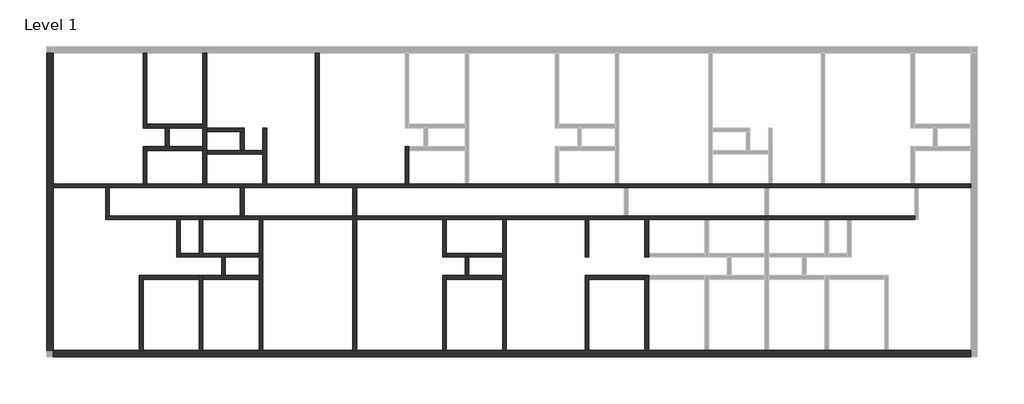
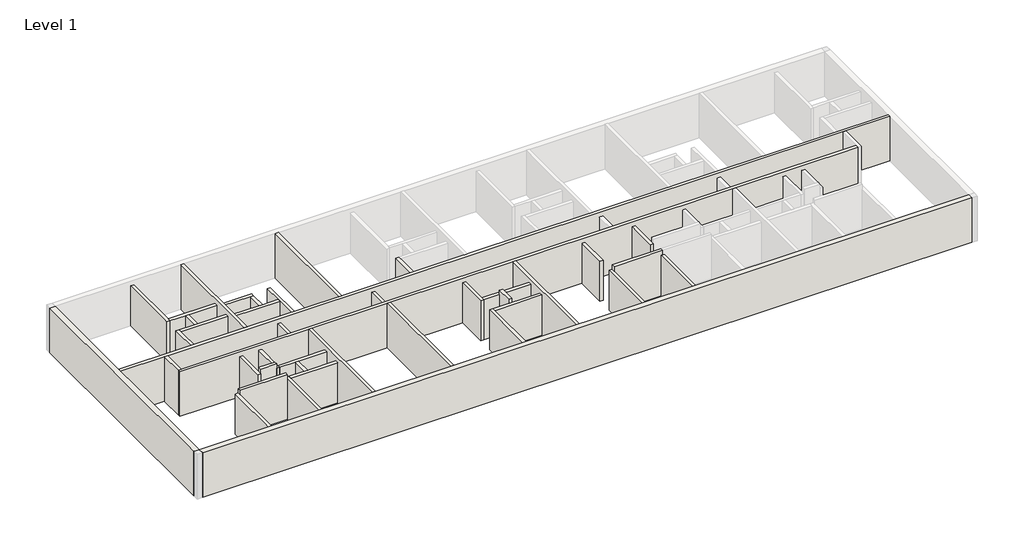
# One storey, part 1 of 2: 41 walls.
"""IFC4 building model written with IfcOpenShell, lengths in millimetres."""

from ifc_helpers import new_model, si_unit, origin, origin_with_axes, place, context, project, spatial, polyline, outline, extrude, faceted_brep, element, save

model = new_model("IFC4")

# Units and contexts
model_context = context("Model", 3, world=origin())
ifc_project = project(units=[si_unit("LENGTHUNIT", "METRE", prefix="MILLI")], contexts=[model_context])

# Site, building, storey
site = spatial("IfcSite", under=ifc_project)
building = spatial("IfcBuilding", under=site)
storey = spatial("IfcBuildingStorey", under=building, Name="Level 1", Elevation=0.0)

# Walls
placement = place(None, origin())
element("IfcWall", 1, ObjectType="Exterior_350", at=placement, inside=storey, context=model_context, shape_type="SweptSolid", body=[
    extrude(outline(polyline([(-17287.4016911, 17523.9820231), (-17287.4016911, 1623.982023), (-17637.4016911, 1623.982023), (-17637.4016911, 17523.9820231), (-17287.4016911, 17523.9820231)])), origin_with_axes(), (0.0, 0.0, 1.0), 3000.0),
])
element("IfcWall", 2, ObjectType="Exterior_350", at=placement, inside=storey, context=model_context, shape_type="SweptSolid", body=[
    extrude(outline(polyline([(-17287.4016911, 1623.982023), (31712.5983088, 1623.982023), (31712.5983088, 1273.982023), (-17287.4016911, 1273.982023), (-17287.4016911, 1623.982023)])), origin_with_axes(), (0.0, 0.0, 1.0), 3000.0),
])
element("IfcWall", 3, ObjectType="Interior_200", at=placement, inside=storey, context=model_context, shape_type="Brep", body=[
    faceted_brep([(-12487.4016911, 1623.982023, 0.0), (-12487.4016911, 5423.9820231, 0.0), (-12487.4016911, 5623.9820231, 0.0), (-12487.4016911, 5623.9820231, 2700.0), (-12487.4016911, 1623.982023, 2700.0), (-12687.4016911, 1623.982023, 0.0), (-12687.4016911, 1623.982023, 2700.0), (-12687.4016911, 5623.9820231, 2700.0), (-12687.4016911, 5623.9820231, 0.0)], [[[0, 1, 2, 3, 4]], [[5, 6, 7, 8]], [[2, 1, 0, 5, 8]], [[4, 3, 7, 6]], [[0, 4, 6, 5]], [[3, 2, 8, 7]]]),
])
element("IfcWall", 4, ObjectType="Interior_200", at=placement, inside=storey, context=model_context, shape_type="Brep", body=[
    faceted_brep([(-9287.4016911, 5423.9820231, 0.0), (-6287.401691, 5423.9820231, 0.0), (-6287.401691, 5423.9820231, 2700.0), (-9287.4016911, 5423.9820231, 2700.0), (-9287.4016911, 5623.9820231, 0.0), (-9287.4016911, 5623.9820231, 2700.0), (-8287.4016911, 5623.9820231, 2700.0), (-8087.4016911, 5623.9820231, 2700.0), (-6287.401691, 5623.9820231, 2700.0), (-6287.401691, 5623.9820231, 0.0), (-8087.4016911, 5623.9820231, 0.0), (-8287.4016911, 5623.9820231, 0.0)], [[[0, 1, 2, 3]], [[4, 5, 6, 7, 8, 9, 10, 11]], [[1, 0, 4, 11, 10, 9]], [[3, 2, 8, 7, 6, 5]], [[2, 1, 9, 8]], [[0, 3, 5, 4]]]),
])
element("IfcWall", 5, ObjectType="Interior_200", at=placement, inside=storey, context=model_context, shape_type="Brep", body=[
    faceted_brep([(-9287.4016911, 1623.982023, 0.0), (-9287.4016911, 5423.9820231, 0.0), (-9287.4016911, 5623.9820231, 0.0), (-9287.4016911, 5623.9820231, 2700.0), (-9287.4016911, 5423.9820231, 2700.0), (-9287.4016911, 1623.982023, 2700.0), (-9487.4016911, 1623.982023, 0.0), (-9487.4016911, 1623.982023, 2700.0), (-9487.4016911, 5623.9820231, 2700.0), (-9487.4016911, 5623.9820231, 0.0), (-9487.4016911, 5423.9820231, 0.0)], [[[0, 1, 2, 3, 4, 5]], [[6, 7, 8, 9, 10]], [[2, 1, 0, 6, 10, 9]], [[3, 2, 9, 8]], [[5, 4, 3, 8, 7]], [[0, 5, 7, 6]]]),
])
element("IfcWall", 6, ObjectType="Interior_200", at=placement, inside=storey, context=model_context, shape_type="Brep", body=[
    faceted_brep([(-9287.4016911, 6623.9820231, 0.0), (-8287.4016911, 6623.9820231, 0.0), (-8087.4016911, 6623.9820231, 0.0), (-6287.401691, 6623.9820231, 0.0), (-6287.401691, 6623.9820231, 2700.0), (-8087.4016911, 6623.9820231, 2700.0), (-8287.4016911, 6623.9820231, 2700.0), (-9287.4016911, 6623.9820231, 2700.0), (-9287.4016911, 6823.9820231, 0.0), (-9287.4016911, 6823.9820231, 2700.0), (-6287.401691, 6823.9820231, 2700.0), (-6287.401691, 6823.9820231, 0.0)], [[[0, 1, 2, 3, 4, 5, 6, 7]], [[8, 9, 10, 11]], [[3, 2, 1, 0, 8, 11]], [[7, 6, 5, 4, 10, 9]], [[4, 3, 11, 10]], [[0, 7, 9, 8]]]),
])
element("IfcWall", 7, ObjectType="Interior_200", at=placement, inside=storey, context=model_context, shape_type="Brep", body=[
    faceted_brep([(-10487.4016911, 6623.9820231, 0.0), (-10487.4016911, 6823.9820231, 0.0), (-10487.4016911, 8623.9820231, 0.0), (-10487.4016911, 8623.9820231, 2700.0), (-10487.4016911, 6623.9820231, 2700.0), (-10687.4016911, 6623.9820231, 0.0), (-10687.4016911, 6623.9820231, 2700.0), (-10687.4016911, 8623.9820231, 2700.0), (-10687.4016911, 8623.9820231, 0.0)], [[[0, 1, 2, 3, 4]], [[5, 6, 7, 8]], [[2, 1, 0, 5, 8]], [[4, 3, 7, 6]], [[3, 2, 8, 7]], [[0, 4, 6, 5]]]),
])
element("IfcWall", 8, ObjectType="Interior_200", at=placement, inside=storey, context=model_context, shape_type="Brep", body=[
    faceted_brep([(-9287.4016911, 6623.9820231, 0.0), (-9287.4016911, 6823.9820231, 0.0), (-9287.4016911, 8623.9820231, 0.0), (-9287.4016911, 8623.9820231, 2700.0), (-9287.4016911, 6823.9820231, 2700.0), (-9287.4016911, 6623.9820231, 2700.0), (-9487.4016911, 6623.9820231, 0.0), (-9487.4016911, 6623.9820231, 2700.0), (-9487.4016911, 8623.9820231, 2700.0), (-9487.4016911, 8623.9820231, 0.0), (-9487.4016911, 6823.9820231, 0.0)], [[[0, 1, 2, 3, 4, 5]], [[6, 7, 8, 9, 10]], [[2, 1, 0, 6, 10, 9]], [[5, 4, 3, 8, 7]], [[3, 2, 9, 8]], [[0, 5, 7, 6]]]),
])
element("IfcWall", 9, ObjectType="Interior_200", at=placement, inside=storey, context=model_context, shape_type="Brep", body=[
    faceted_brep([(-12487.4016912, 17523.9820231, 0.0), (-12487.4016912, 13523.982023, 0.0), (-12487.4016912, 13523.982023, 2700.0), (-12487.4016912, 17523.9820231, 2700.0), (-12287.4016912, 17523.9820231, 0.0), (-12287.4016912, 17523.9820231, 2700.0), (-12287.4016912, 13723.982023, 2700.0), (-12287.4016912, 13523.982023, 2700.0), (-12287.4016912, 13523.982023, 0.0), (-12287.4016912, 13723.982023, 0.0)], [[[0, 1, 2, 3]], [[4, 5, 6, 7, 8, 9]], [[1, 0, 4, 9, 8]], [[3, 2, 7, 6, 5]], [[0, 3, 5, 4]], [[2, 1, 8, 7]]]),
])
element("IfcWall", 10, ObjectType="Interior_200", at=placement, inside=storey, context=model_context, shape_type="Brep", body=[
    faceted_brep([(-12287.4016912, 13523.982023, 0.0), (-11287.4016911, 13523.982023, 0.0), (-11087.4016911, 13523.982023, 0.0), (-9287.4016913, 13523.982023, 0.0), (-9287.4016913, 13523.982023, 2700.0), (-11087.4016911, 13523.982023, 2700.0), (-11287.4016911, 13523.982023, 2700.0), (-12287.4016912, 13523.982023, 2700.0), (-12287.4016912, 13723.982023, 0.0), (-12287.4016912, 13723.982023, 2700.0), (-9287.4016913, 13723.982023, 2700.0), (-9287.4016913, 13723.982023, 0.0)], [[[0, 1, 2, 3, 4, 5, 6, 7]], [[8, 9, 10, 11]], [[3, 2, 1, 0, 8, 11]], [[7, 6, 5, 4, 10, 9]], [[0, 7, 9, 8]], [[4, 3, 11, 10]]]),
])
element("IfcWall", 11, ObjectType="Interior_200", at=placement, inside=storey, context=model_context, shape_type="Brep", body=[
    faceted_brep([(-12287.4016911, 12323.9820231, 0.0), (-9287.4016913, 12323.9820231, 0.0), (-9287.4016913, 12323.9820231, 2700.0), (-12287.4016911, 12323.9820231, 2700.0), (-12287.4016911, 12523.9820231, 0.0), (-12287.4016911, 12523.9820231, 2700.0), (-11287.4016911, 12523.9820231, 2700.0), (-11087.4016911, 12523.9820231, 2700.0), (-9287.4016913, 12523.9820231, 2700.0), (-9287.4016913, 12523.9820231, 0.0), (-11087.4016911, 12523.9820231, 0.0), (-11287.4016911, 12523.9820231, 0.0)], [[[0, 1, 2, 3]], [[4, 5, 6, 7, 8, 9, 10, 11]], [[1, 0, 4, 11, 10, 9]], [[3, 2, 8, 7, 6, 5]], [[2, 1, 9, 8]], [[0, 3, 5, 4]]]),
])
element("IfcWall", 12, ObjectType="Interior_200", at=placement, inside=storey, context=model_context, shape_type="Brep", body=[
    faceted_brep([(-12487.4016911, 12523.9820231, 0.0), (-12487.4016911, 10523.9820231, 0.0), (-12487.4016911, 10523.9820231, 2700.0), (-12487.4016911, 12523.9820231, 2700.0), (-12287.4016911, 12523.9820231, 0.0), (-12287.4016911, 12523.9820231, 2700.0), (-12287.4016911, 12323.9820231, 2700.0), (-12287.4016911, 10523.9820231, 2700.0), (-12287.4016911, 10523.9820231, 0.0), (-12287.4016911, 12323.9820231, 0.0)], [[[0, 1, 2, 3]], [[4, 5, 6, 7, 8, 9]], [[1, 0, 4, 9, 8]], [[3, 2, 7, 6, 5]], [[2, 1, 8, 7]], [[0, 3, 5, 4]]]),
])
element("IfcWall", 13, ObjectType="Interior_200", at=placement, inside=storey, context=model_context, shape_type="Brep", body=[
    faceted_brep([(-5887.4016913, 10523.9820231, 0.0), (-5887.4016913, 13523.9820231, 0.0), (-5887.4016913, 13523.9820231, 2700.0), (-5887.4016913, 10523.9820231, 2700.0), (-6087.4016913, 10523.9820231, 0.0), (-6087.4016913, 10523.9820231, 2700.0), (-6087.4016913, 12123.9820231, 2700.0), (-6087.4016913, 12323.9820231, 2700.0), (-6087.4016913, 13523.9820231, 2700.0), (-6087.4016913, 13523.9820231, 0.0), (-6087.4016913, 12323.9820231, 0.0), (-6087.4016913, 12123.9820231, 0.0)], [[[0, 1, 2, 3]], [[4, 5, 6, 7, 8, 9, 10, 11]], [[1, 0, 4, 11, 10, 9]], [[2, 1, 9, 8]], [[3, 2, 8, 7, 6, 5]], [[0, 3, 5, 4]]]),
])
element("IfcWall", 14, ObjectType="Interior_200", at=placement, inside=storey, context=model_context, shape_type="Brep", body=[
    faceted_brep([(-9087.4016913, 13323.9820231, 0.0), (-7287.4016913, 13323.9820231, 0.0), (-7087.4016913, 13323.9820231, 0.0), (-7087.4016913, 13323.9820231, 2700.0), (-7287.4016913, 13323.9820231, 2700.0), (-9087.4016913, 13323.9820231, 2700.0), (-9087.4016913, 13523.9820231, 0.0), (-9087.4016913, 13523.9820231, 2700.0), (-7087.4016913, 13523.9820231, 2700.0), (-7087.4016913, 13523.9820231, 0.0)], [[[0, 1, 2, 3, 4, 5]], [[6, 7, 8, 9]], [[2, 1, 0, 6, 9]], [[5, 4, 3, 8, 7]], [[3, 2, 9, 8]], [[0, 5, 7, 6]]]),
])
element("IfcWall", 15, ObjectType="Interior_200", at=placement, inside=storey, context=model_context, shape_type="Brep", body=[
    faceted_brep([(-9087.4016913, 12123.9820231, 0.0), (-6087.4016913, 12123.9820231, 0.0), (-6087.4016913, 12123.9820231, 2700.0), (-9087.4016913, 12123.9820231, 2700.0), (-9087.4016913, 12323.9820231, 0.0), (-9087.4016913, 12323.9820231, 2700.0), (-7287.4016913, 12323.9820231, 2700.0), (-7087.4016913, 12323.9820231, 2700.0), (-6087.4016913, 12323.9820231, 2700.0), (-6087.4016913, 12323.9820231, 0.0), (-7087.4016913, 12323.9820231, 0.0), (-7287.4016913, 12323.9820231, 0.0)], [[[0, 1, 2, 3]], [[4, 5, 6, 7, 8, 9, 10, 11]], [[1, 0, 4, 11, 10, 9]], [[3, 2, 8, 7, 6, 5]], [[0, 3, 5, 4]], [[2, 1, 9, 8]]]),
])
element("IfcWall", 16, ObjectType="Interior_200", at=placement, inside=storey, context=model_context, shape_type="SweptSolid", body=[
    extrude(outline(polyline([(-7287.4016913, 12323.9820231), (-7287.4016913, 13323.9820231), (-7087.4016913, 13323.9820231), (-7087.4016913, 12323.9820231), (-7287.4016913, 12323.9820231)])), origin_with_axes(), (0.0, 0.0, 1.0), 2700.0),
])
element("IfcWall", 17, ObjectType="Interior_200", at=placement, inside=storey, context=model_context, shape_type="Brep", body=[
    faceted_brep([(1512.5983089, 12523.9820231, 0.0), (1512.5983089, 10523.9820231, 0.0), (1512.5983089, 10523.9820231, 2700.0), (1512.5983089, 12523.9820231, 2700.0), (1712.5983089, 12523.9820231, 0.0), (1712.5983089, 12523.9820231, 2700.0), (1712.5983089, 12323.9820231, 2700.0), (1712.5983089, 10523.9820231, 2700.0), (1712.5983089, 10523.9820231, 0.0), (1712.5983089, 12323.9820231, 0.0)], [[[0, 1, 2, 3]], [[4, 5, 6, 7, 8, 9]], [[1, 0, 4, 9, 8]], [[3, 2, 7, 6, 5]], [[2, 1, 8, 7]], [[0, 3, 5, 4]]]),
])
element("IfcWall", 18, ObjectType="Interior_200", at=placement, inside=storey, context=model_context, shape_type="Brep", body=[
    faceted_brep([(11112.5983088, 5623.9820231, 0.0), (11112.5983088, 1623.982023, 0.0), (11112.5983088, 1623.982023, 2700.0), (11112.5983088, 5623.9820231, 2700.0), (11312.5983088, 5623.9820231, 0.0), (11312.5983088, 5623.9820231, 2700.0), (11312.5983088, 1623.982023, 2700.0), (11312.5983088, 1623.982023, 0.0), (11312.5983088, 5423.9820231, 0.0)], [[[0, 1, 2, 3]], [[4, 5, 6, 7, 8]], [[1, 0, 4, 8, 7]], [[2, 1, 7, 6]], [[3, 2, 6, 5]], [[0, 3, 5, 4]]]),
])
element("IfcWall", 19, ObjectType="Interior_200", at=placement, inside=storey, context=model_context, shape_type="Brep", body=[
    faceted_brep([(14312.5983088, 5623.9820231, 0.0), (14312.5983088, 5423.9820231, 0.0), (14312.5983088, 1623.982023, 0.0), (14312.5983088, 1623.982023, 2700.0), (14312.5983088, 5423.9820231, 2700.0), (14312.5983088, 5623.9820231, 2700.0), (14512.5983088, 5623.9820231, 0.0), (14512.5983088, 5623.9820231, 2700.0), (14512.5983088, 5423.9820231, 2700.0), (14512.5983088, 1623.982023, 2700.0), (14512.5983088, 1623.982023, 0.0), (14512.5983088, 5423.9820231, 0.0), (14412.5983088, 5623.9820231, 2700.0)], [[[0, 1, 2, 3, 4, 5]], [[6, 7, 8, 9, 10, 11]], [[2, 1, 0, 6, 11, 10]], [[3, 2, 10, 9]], [[5, 4, 3, 9, 8, 7, 12]], [[0, 5, 12, 7, 6]]]),
])
element("IfcWall", 20, ObjectType="Interior_200", at=placement, inside=storey, context=model_context, shape_type="SweptSolid", body=[
    extrude(outline(polyline([(11112.5983088, 6623.9820231), (11112.5983088, 8623.9820231), (11312.5983088, 8623.9820231), (11312.5983088, 6623.9820231), (11112.5983088, 6623.9820231)])), origin_with_axes(), (0.0, 0.0, 1.0), 2700.0),
])
element("IfcWall", 21, ObjectType="Interior_200", at=placement, inside=storey, context=model_context, shape_type="SweptSolid", body=[
    extrude(outline(polyline([(14312.5983089, 6623.9820231), (14312.5983089, 8623.9820231), (14512.5983089, 8623.9820231), (14512.5983089, 6623.9820231), (14312.5983089, 6623.9820231)])), origin_with_axes(), (0.0, 0.0, 1.0), 2700.0),
])
element("IfcWall", 22, ObjectType="Interior_200", at=placement, inside=storey, context=model_context, shape_type="Brep", body=[
    faceted_brep([(3712.5983089, 1623.982023, 0.0), (3712.5983089, 5423.9820231, 0.0), (3712.5983089, 5623.9820231, 0.0), (3712.5983089, 5623.9820231, 2700.0), (3712.5983089, 5423.9820231, 2700.0), (3712.5983089, 1623.982023, 2700.0), (3512.5983089, 1623.982023, 0.0), (3512.5983089, 1623.982023, 2700.0), (3512.5983089, 5623.9820231, 2700.0), (3512.5983089, 5623.9820231, 0.0)], [[[0, 1, 2, 3, 4, 5]], [[6, 7, 8, 9]], [[2, 1, 0, 6, 9]], [[5, 4, 3, 8, 7]], [[0, 5, 7, 6]], [[3, 2, 9, 8]]]),
])
element("IfcWall", 23, ObjectType="Interior_200", at=placement, inside=storey, context=model_context, shape_type="Brep", body=[
    faceted_brep([(6712.5983089, 5623.9820231, 0.0), (4912.5983089, 5623.9820231, 0.0), (4712.5983089, 5623.9820231, 0.0), (3712.5983089, 5623.9820231, 0.0), (3712.5983089, 5623.9820231, 2700.0), (6712.5983089, 5623.9820231, 2700.0), (6712.5983089, 5423.9820231, 0.0), (6712.5983089, 5423.9820231, 2700.0), (3712.5983089, 5423.9820231, 2700.0), (3712.5983089, 5423.9820231, 0.0)], [[[0, 1, 2, 3, 4, 5]], [[6, 7, 8, 9]], [[3, 2, 1, 0, 6, 9]], [[5, 4, 8, 7]], [[0, 5, 7, 6]], [[4, 3, 9, 8]]]),
])
element("IfcWall", 24, ObjectType="Interior_200", at=placement, inside=storey, context=model_context, shape_type="Brep", body=[
    faceted_brep([(6712.5983089, 6823.9820231, 0.0), (3712.5983089, 6823.9820231, 0.0), (3712.5983089, 6823.9820231, 2700.0), (6712.5983089, 6823.9820231, 2700.0), (6712.5983089, 6623.9820231, 0.0), (6712.5983089, 6623.9820231, 2700.0), (3712.5983089, 6623.9820231, 2700.0), (3712.5983089, 6623.9820231, 0.0), (4712.5983089, 6623.9820231, 0.0), (4912.5983089, 6623.9820231, 0.0)], [[[0, 1, 2, 3]], [[4, 5, 6, 7, 8, 9]], [[1, 0, 4, 9, 8, 7]], [[3, 2, 6, 5]], [[0, 3, 5, 4]], [[2, 1, 7, 6]]]),
])
element("IfcWall", 25, ObjectType="Interior_200", at=placement, inside=storey, context=model_context, shape_type="Brep", body=[
    faceted_brep([(3712.5983089, 6623.982023, 0.0), (3712.5983089, 6823.9820231, 0.0), (3712.5983089, 8623.9820231, 0.0), (3712.5983089, 8623.9820231, 2700.0), (3712.5983089, 6823.9820231, 2700.0), (3712.5983089, 6623.982023, 2700.0), (3512.5983089, 6623.982023, 0.0), (3512.5983089, 6623.982023, 2700.0), (3512.5983089, 8623.9820231, 2700.0), (3512.5983089, 8623.9820231, 0.0)], [[[0, 1, 2, 3, 4, 5]], [[6, 7, 8, 9]], [[2, 1, 0, 6, 9]], [[5, 4, 3, 8, 7]], [[0, 5, 7, 6]], [[3, 2, 9, 8]]]),
])
element("IfcWall", 26, ObjectType="Interior_200", at=placement, inside=storey, context=model_context, shape_type="SweptSolid", body=[
    extrude(outline(polyline([(-8087.4016911, 6623.9820231), (-8087.4016911, 5623.9820231), (-8287.4016911, 5623.9820231), (-8287.4016911, 6623.9820231), (-8087.4016911, 6623.9820231)])), origin_with_axes(), (0.0, 0.0, 1.0), 2700.0),
])
element("IfcWall", 27, ObjectType="Interior_200", at=placement, inside=storey, context=model_context, shape_type="SweptSolid", body=[
    extrude(outline(polyline([(-1087.4016912, 10323.9820231), (-1087.4016912, 8823.9820231), (-1287.4016912, 8823.9820231), (-1287.4016912, 10323.9820231), (-1087.4016912, 10323.9820231)])), origin_with_axes(), (0.0, 0.0, 1.0), 2700.0),
])
element("IfcWall", 28, ObjectType="Interior_200", at=placement, inside=storey, context=model_context, shape_type="SweptSolid", body=[
    extrude(outline(polyline([(-7087.4016912, 10323.9820231), (-7087.4016912, 8823.9820231), (-7287.4016912, 8823.9820231), (-7287.4016912, 10323.9820231), (-7087.4016912, 10323.9820231)])), origin_with_axes(), (0.0, 0.0, 1.0), 2700.0),
])
element("IfcWall", 29, ObjectType="Interior_200", at=placement, inside=storey, context=model_context, shape_type="SweptSolid", body=[
    extrude(outline(polyline([(-11287.4016911, 12523.9820231), (-11287.4016911, 13523.982023), (-11087.4016911, 13523.982023), (-11087.4016911, 12523.9820231), (-11287.4016911, 12523.9820231)])), origin_with_axes(), (0.0, 0.0, 1.0), 2700.0),
])
element("IfcWall", 30, ObjectType="Interior_200", at=placement, inside=storey, context=model_context, shape_type="Brep", body=[
    faceted_brep([(-9487.4016911, 6823.9820231, 0.0), (-10487.4016911, 6823.9820231, 0.0), (-10487.4016911, 6823.9820231, 3000.0), (-9487.4016911, 6823.9820231, 3000.0), (-9487.4016911, 6623.9820231, 0.0), (-9487.4016911, 6623.9820231, 2700.0), (-9487.4016911, 6623.9820231, 3000.0), (-10487.4016911, 6623.9820231, 3000.0), (-10487.4016911, 6623.9820231, 2700.0), (-10487.4016911, 6623.9820231, 0.0)], [[[0, 1, 2, 3]], [[4, 5, 6, 7, 8, 9]], [[1, 0, 4, 9]], [[3, 2, 7, 6]], [[0, 3, 6, 5, 4]], [[2, 1, 9, 8, 7]]]),
])
element("IfcWall", 31, ObjectType="Interior_200", at=placement, inside=storey, context=model_context, shape_type="Brep", body=[
    faceted_brep([(-9487.4016911, 5623.9820231, 0.0), (-12487.4016911, 5623.9820231, 0.0), (-12487.4016911, 5623.9820231, 2700.0), (-12487.4016911, 5623.9820231, 3000.0), (-9487.4016911, 5623.9820231, 3000.0), (-9487.4016911, 5623.9820231, 2700.0), (-9487.4016911, 5423.9820231, 0.0), (-9487.4016911, 5423.9820231, 3000.0), (-12487.4016911, 5423.9820231, 3000.0), (-12487.4016911, 5423.9820231, 0.0)], [[[0, 1, 2, 3, 4, 5]], [[6, 7, 8, 9]], [[1, 0, 6, 9]], [[4, 3, 8, 7]], [[3, 2, 1, 9, 8]], [[0, 5, 4, 7, 6]]]),
])
element("IfcWall", 32, ObjectType="Interior_200", at=placement, inside=storey, context=model_context, shape_type="SweptSolid", body=[
    extrude(outline(polyline([(4712.5983089, 5623.9820231), (4712.5983089, 6623.9820231), (4912.5983089, 6623.9820231), (4912.5983089, 5623.9820231), (4712.5983089, 5623.9820231)])), origin_with_axes(), (0.0, 0.0, 1.0), 3000.0),
])
element("IfcWall", 33, ObjectType="Interior_200", at=placement, inside=storey, context=model_context, shape_type="Brep", body=[
    faceted_brep([(14312.5983088, 5623.9820231, 0.0), (11312.5983088, 5623.9820231, 0.0), (11312.5983088, 5623.9820231, 2700.0), (11312.5983088, 5623.9820231, 3000.0), (14412.5983088, 5623.9820231, 3000.0), (14412.5983088, 5623.9820231, 2700.0), (14312.5983088, 5623.9820231, 2700.0), (14312.5983088, 5423.9820231, 0.0), (14312.5983088, 5423.9820231, 2700.0), (14412.5983088, 5423.9820231, 2700.0), (14412.5983088, 5423.9820231, 3000.0), (11312.5983088, 5423.9820231, 3000.0), (11312.5983088, 5423.9820231, 0.0)], [[[0, 1, 2, 3, 4, 5, 6]], [[7, 8, 9, 10, 11, 12]], [[1, 0, 7, 12]], [[4, 3, 11, 10]], [[5, 4, 10, 9]], [[5, 9, 8, 6]], [[0, 6, 8, 7]], [[3, 2, 1, 12, 11]]]),
])
element("IfcWall", 34, ObjectType="Party walls", at=placement, inside=storey, context=model_context, shape_type="Brep", body=[
    faceted_brep([(-17287.4016911, 10323.9820231, 0.0), (-14487.4016911, 10323.9820231, 0.0), (-14287.4016911, 10323.9820231, 0.0), (-7287.4016912, 10323.9820231, 0.0), (-7087.4016912, 10323.9820231, 0.0), (-1287.4016912, 10323.9820231, 0.0), (-1087.4016912, 10323.9820231, 0.0), (13212.5983089, 10323.9820231, 0.0), (13412.5983089, 10323.9820231, 0.0), (20712.5983088, 10323.9820231, 0.0), (20912.5983088, 10323.9820231, 0.0), (28712.5983088, 10323.9820231, 0.0), (28912.5983088, 10323.9820231, 0.0), (31712.5983088, 10323.9820231, 0.0), (31712.5983088, 10323.9820231, 3000.0), (28912.5983088, 10323.9820231, 3000.0), (28712.5983088, 10323.9820231, 3000.0), (-14287.4016911, 10323.9820231, 3000.0), (-14487.4016911, 10323.9820231, 3000.0), (-17287.4016911, 10323.9820231, 3000.0), (-17287.4016911, 10523.9820231, 0.0), (-17287.4016911, 10523.9820231, 3000.0), (-9287.4016913, 10523.9820231, 3000.0), (-9087.4016913, 10523.9820231, 3000.0), (-3287.4016912, 10523.9820231, 3000.0), (-3087.4016912, 10523.9820231, 3000.0), (4712.5983089, 10523.9820231, 3000.0), (4912.5983089, 10523.9820231, 3000.0), (12712.598309, 10523.9820231, 3000.0), (12912.598309, 10523.9820231, 3000.0), (17712.5983088, 10523.9820231, 3000.0), (17912.5983088, 10523.9820231, 3000.0), (23712.5983088, 10523.9820231, 3000.0), (23912.5983088, 10523.9820231, 3000.0), (31712.5983088, 10523.9820231, 3000.0), (31712.5983088, 10523.9820231, 0.0), (28712.5983089, 10523.9820231, 0.0), (28512.5983089, 10523.9820231, 0.0), (23912.5983088, 10523.9820231, 0.0), (23712.5983088, 10523.9820231, 0.0), (21112.5983088, 10523.9820231, 0.0), (20912.5983088, 10523.9820231, 0.0), (17912.5983088, 10523.9820231, 0.0), (17712.5983088, 10523.9820231, 0.0), (12912.598309, 10523.9820231, 0.0), (12712.598309, 10523.9820231, 0.0), (9712.598309, 10523.9820231, 0.0), (9512.598309, 10523.9820231, 0.0), (4912.5983089, 10523.9820231, 0.0), (4712.5983089, 10523.9820231, 0.0), (1712.5983089, 10523.9820231, 0.0), (1512.5983089, 10523.9820231, 0.0), (-3087.4016912, 10523.9820231, 0.0), (-3287.4016912, 10523.9820231, 0.0), (-5887.4016913, 10523.9820231, 0.0), (-6087.4016913, 10523.9820231, 0.0), (-9087.4016913, 10523.9820231, 0.0), (-9287.4016913, 10523.9820231, 0.0), (-12287.4016911, 10523.9820231, 0.0), (-12487.4016911, 10523.9820231, 0.0)], [[[0, 1, 2, 3, 4, 5, 6, 7, 8, 9, 10, 11, 12, 13, 14, 15, 16, 17, 18, 19]], [[20, 21, 22, 23, 24, 25, 26, 27, 28, 29, 30, 31, 32, 33, 34, 35, 36, 37, 38, 39, 40, 41, 42, 43, 44, 45, 46, 47, 48, 49, 50, 51, 52, 53, 54, 55, 56, 57, 58, 59]], [[13, 12, 11, 10, 9, 8, 7, 6, 5, 4, 3, 2, 1, 0, 20, 59, 58, 57, 56, 55, 54, 53, 52, 51, 50, 49, 48, 47, 46, 45, 44, 43, 42, 41, 40, 39, 38, 37, 36, 35]], [[14, 13, 35, 34]], [[19, 18, 17, 16, 15, 14, 34, 33, 32, 31, 30, 29, 28, 27, 26, 25, 24, 23, 22, 21]], [[0, 19, 21, 20]]]),
])
element("IfcWall", 35, ObjectType="Party walls", at=placement, inside=storey, context=model_context, shape_type="Brep", body=[
    faceted_brep([(-14487.4016911, 8623.9820231, 0.0), (-10687.4016911, 8623.9820231, 0.0), (-10487.4016911, 8623.9820231, 0.0), (-9487.4016911, 8623.9820231, 0.0), (-9287.4016911, 8623.9820231, 0.0), (-6287.401691, 8623.9820231, 0.0), (-6087.401691, 8623.9820231, 0.0), (-1287.4016912, 8623.9820231, 0.0), (-1087.4016912, 8623.9820231, 0.0), (3512.5983089, 8623.9820231, 0.0), (3712.5983089, 8623.9820231, 0.0), (6712.5983089, 8623.9820231, 0.0), (6912.5983089, 8623.9820231, 0.0), (11112.5983088, 8623.9820231, 0.0), (11312.5983088, 8623.9820231, 0.0), (14312.5983089, 8623.9820231, 0.0), (14512.5983089, 8623.9820231, 0.0), (17512.5983089, 8623.9820231, 0.0), (17712.5983089, 8623.9820231, 0.0), (20712.5983088, 8623.9820231, 0.0), (20912.5983088, 8623.9820231, 0.0), (23912.5983088, 8623.9820231, 0.0), (24112.5983088, 8623.9820231, 0.0), (25112.5983088, 8623.9820231, 0.0), (25312.5983088, 8623.9820231, 0.0), (28712.5983088, 8623.9820231, 0.0), (28712.5983088, 8623.9820231, 3000.0), (20912.5983088, 8623.9820231, 3000.0), (20712.5983088, 8623.9820231, 3000.0), (6912.5983089, 8623.9820231, 3000.0), (6712.5983089, 8623.9820231, 3000.0), (-1087.4016912, 8623.9820231, 3000.0), (-1287.4016912, 8623.9820231, 3000.0), (-6087.401691, 8623.9820231, 3000.0), (-6287.401691, 8623.9820231, 3000.0), (-14487.4016911, 8623.9820231, 3000.0), (-14487.4016911, 8823.9820231, 0.0), (-14487.4016911, 8823.9820231, 3000.0), (-14287.4016911, 8823.9820231, 3000.0), (28712.5983088, 8823.9820231, 3000.0), (28712.5983088, 8823.9820231, 0.0), (20912.5983088, 8823.9820231, 0.0), (20712.5983088, 8823.9820231, 0.0), (13412.5983089, 8823.9820231, 0.0), (13212.5983089, 8823.9820231, 0.0), (-1087.4016912, 8823.9820231, 0.0), (-1287.4016912, 8823.9820231, 0.0), (-7087.4016912, 8823.9820231, 0.0), (-7287.4016912, 8823.9820231, 0.0), (-14287.4016911, 8823.9820231, 0.0)], [[[0, 1, 2, 3, 4, 5, 6, 7, 8, 9, 10, 11, 12, 13, 14, 15, 16, 17, 18, 19, 20, 21, 22, 23, 24, 25, 26, 27, 28, 29, 30, 31, 32, 33, 34, 35]], [[36, 37, 38, 39, 40, 41, 42, 43, 44, 45, 46, 47, 48, 49]], [[25, 24, 23, 22, 21, 20, 19, 18, 17, 16, 15, 14, 13, 12, 11, 10, 9, 8, 7, 6, 5, 4, 3, 2, 1, 0, 36, 49, 48, 47, 46, 45, 44, 43, 42, 41, 40]], [[35, 34, 33, 32, 31, 30, 29, 28, 27, 26, 39, 38, 37]], [[0, 35, 37, 36]], [[26, 25, 40, 39]]]),
])
element("IfcWall", 36, ObjectType="Party walls", at=placement, inside=storey, context=model_context, shape_type="Brep", body=[
    faceted_brep([(-9087.4016913, 10523.9820231, 0.0), (-9087.4016913, 12123.9820231, 0.0), (-9087.4016913, 12323.9820231, 0.0), (-9087.4016913, 13323.9820231, 0.0), (-9087.4016913, 13523.9820231, 0.0), (-9087.4016913, 17523.9820231, 0.0), (-9087.4016913, 17523.9820231, 3000.0), (-9087.4016913, 10523.9820231, 3000.0), (-9287.4016913, 10523.9820231, 0.0), (-9287.4016913, 10523.9820231, 3000.0), (-9287.4016913, 17523.9820231, 3000.0), (-9287.4016913, 17523.9820231, 0.0), (-9287.4016913, 13723.982023, 0.0), (-9287.4016913, 13523.982023, 0.0), (-9287.4016913, 12523.9820231, 0.0), (-9287.4016913, 12323.9820231, 0.0)], [[[0, 1, 2, 3, 4, 5, 6, 7]], [[8, 9, 10, 11, 12, 13, 14, 15]], [[5, 4, 3, 2, 1, 0, 8, 15, 14, 13, 12, 11]], [[6, 5, 11, 10]], [[7, 6, 10, 9]], [[0, 7, 9, 8]]]),
])
element("IfcWall", 37, ObjectType="Party walls", at=placement, inside=storey, context=model_context, shape_type="SweptSolid", body=[
    extrude(outline(polyline([(-3087.4016912, 17523.9820231), (-3087.4016912, 10523.9820231), (-3287.4016912, 10523.9820231), (-3287.4016912, 17523.9820231), (-3087.4016912, 17523.9820231)])), origin_with_axes(), (0.0, 0.0, 1.0), 3000.0),
])
element("IfcWall", 38, ObjectType="Party walls", at=placement, inside=storey, context=model_context, shape_type="Brep", body=[
    faceted_brep([(-6087.401691, 1623.982023, 0.0), (-6087.401691, 8623.9820231, 0.0), (-6087.401691, 8623.9820231, 3000.0), (-6087.401691, 1623.982023, 3000.0), (-6287.401691, 1623.982023, 0.0), (-6287.401691, 1623.982023, 3000.0), (-6287.401691, 8623.9820231, 3000.0), (-6287.401691, 8623.9820231, 0.0), (-6287.401691, 6823.9820231, 0.0), (-6287.401691, 6623.9820231, 0.0), (-6287.401691, 5623.9820231, 0.0), (-6287.401691, 5423.9820231, 0.0)], [[[0, 1, 2, 3]], [[4, 5, 6, 7, 8, 9, 10, 11]], [[1, 0, 4, 11, 10, 9, 8, 7]], [[3, 2, 6, 5]], [[0, 3, 5, 4]], [[2, 1, 7, 6]]]),
])
element("IfcWall", 39, ObjectType="Party walls", at=placement, inside=storey, context=model_context, shape_type="SweptSolid", body=[
    extrude(outline(polyline([(-1087.4016912, 8623.9820231), (-1087.4016912, 1623.982023), (-1287.4016912, 1623.982023), (-1287.4016912, 8623.9820231), (-1087.4016912, 8623.9820231)])), origin_with_axes(), (0.0, 0.0, 1.0), 3000.0),
])
element("IfcWall", 40, ObjectType="Party walls", at=placement, inside=storey, context=model_context, shape_type="Brep", body=[
    faceted_brep([(6912.5983089, 1623.982023, 0.0), (6912.5983089, 8623.9820231, 0.0), (6912.5983089, 8623.9820231, 3000.0), (6912.5983089, 1623.982023, 3000.0), (6712.5983089, 1623.982023, 0.0), (6712.5983089, 1623.982023, 3000.0), (6712.5983089, 8623.9820231, 3000.0), (6712.5983089, 8623.9820231, 0.0), (6712.5983089, 6823.9820231, 0.0), (6712.5983089, 6623.9820231, 0.0), (6712.5983089, 5623.9820231, 0.0), (6712.5983089, 5423.9820231, 0.0)], [[[0, 1, 2, 3]], [[4, 5, 6, 7, 8, 9, 10, 11]], [[1, 0, 4, 11, 10, 9, 8, 7]], [[3, 2, 6, 5]], [[0, 3, 5, 4]], [[2, 1, 7, 6]]]),
])
element("IfcWall", 41, ObjectType="Party walls", at=placement, inside=storey, context=model_context, shape_type="SweptSolid", body=[
    extrude(outline(polyline([(-14487.4016911, 8823.9820231), (-14487.4016911, 10323.9820231), (-14287.4016911, 10323.9820231), (-14287.4016911, 8823.9820231), (-14487.4016911, 8823.9820231)])), origin_with_axes(), (0.0, 0.0, 1.0), 3000.0),
])

save(model, "model.ifc")
